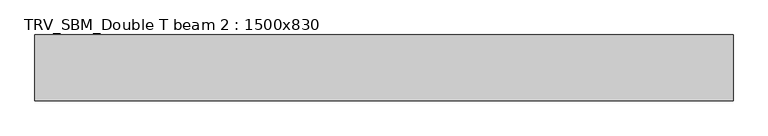
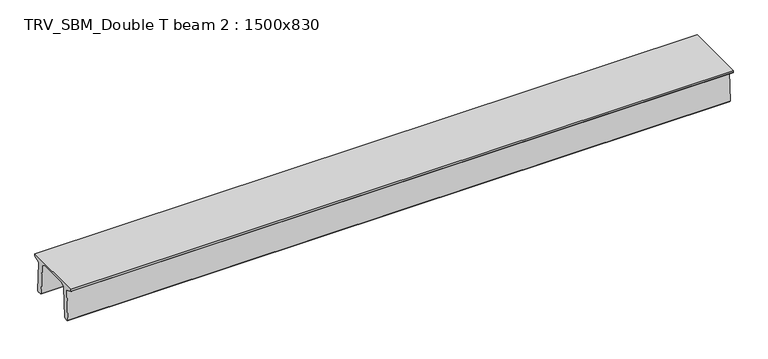
"""IFC4 building model written with IfcOpenShell, lengths in millimetres: beam geometry, TRV_SBM_Double T beam 2 : 1500x830."""

from ifc_helpers import new_model, si_unit, frame, origin, place, context, project, spatial, polyline, outline, extrude, source, transform, mapped, element, save


def trv_sbm_double_t_beam_2_1500x830_1af0fd94(model_context):
    return source(origin(), model_context, "Body", "SweptSolid", [
        extrude(outline(polyline([(337.4555014, 470.0), (-343.4555014, 470.0), (-456.5828437, 409.8491251), (-494.786332, -340.5206011), (-514.2657308, -360.0), (-604.2657308, -360.0), (-624.8277662, -339.4379646), (-586.9373878, 401.9654693), (-752.8511046, 468.9989621), (-753.0, 475.0), (-753.0, 520.0), (747.0, 520.0), (747.0, 475.0), (746.8511046, 468.9989621), (580.9373878, 401.9654693), (618.8277662, -339.4379646), (598.2657308, -360.0), (508.2657308, -360.0), (488.786332, -340.5206011), (450.5828437, 409.8491251), (337.4555014, 470.0)])), frame((-7925.0, 0.0, 0.0), z_axis=(1.0, 0.0, 0.0), x_axis=(0.0, 1.0, 0.0)), (0.0, 0.0, 1.0), 15927.0),
    ])


if __name__ == "__main__":
    model = new_model("IFC4")
    model_context = context("Model", 3, world=origin())
    ifc_project = project(units=[si_unit("LENGTHUNIT", "METRE", prefix="MILLI")], contexts=[model_context])
    site = spatial("IfcSite", under=ifc_project)
    building = spatial("IfcBuilding", under=site)
    placement = place(None, origin())
    trv_sbm_double_t_beam_2_1500x830_shape = trv_sbm_double_t_beam_2_1500x830_1af0fd94(model_context)
    element("IfcBeam", 1, ObjectType="TRV_SBM_Double T beam 2 : 1500x830", at=placement, inside=building, context=model_context, shape_type="MappedRepresentation", body=[
        mapped(trv_sbm_double_t_beam_2_1500x830_shape, transform((0.0, 0.0, 0.0), x_axis=(1.0, 0.0, 0.0), y_axis=(0.0, 1.0, 0.0), z_axis=(0.0, 0.0, 1.0))),
    ])
    save(model, "model.ifc")
